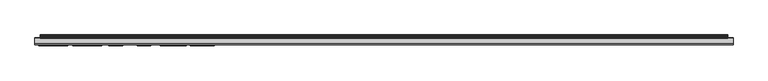
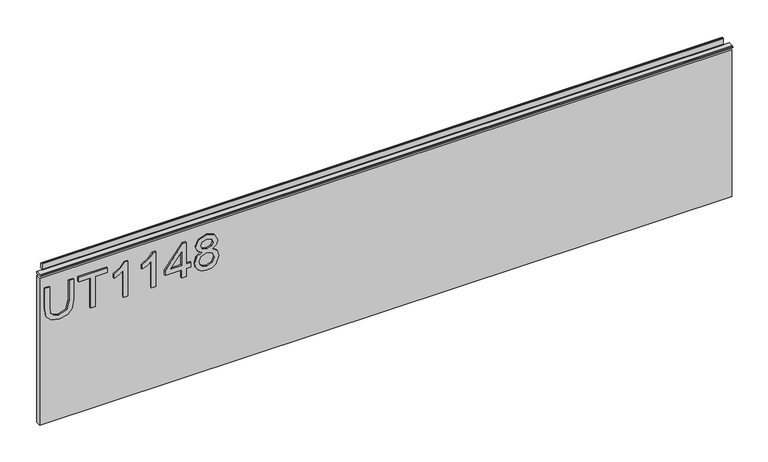
"""IFC4 building model written with IfcOpenShell, lengths in millimetres: furniture geometry."""

from ifc_helpers import new_model, si_unit, frame, origin, place, context, project, spatial, polyline, outline, extrude, source, transform, mapped, element, save


def furniture_73bf535e(model_context):
    return source(origin(), model_context, "Body", "SweptSolid", [
        extrude(outline(polyline([(1116.7975569, -249.406548), (1080.2772981, -249.406548), (1064.1741222, -253.4401289), (1059.9848047, -266.9425017), (1062.1028239, -276.3178517), (1068.1220478, -281.7219156), (1080.2772981, -283.2948564), (1116.7975569, -283.2948564), (1116.7975569, -291.268576), (1079.9969721, -291.268576), (1064.0261723, -288.8468702), (1055.0946719, -280.7641349), (1052.011085, -266.1949655), (1055.5540952, -251.3999779), (1064.7425612, -243.5975687), (1079.9969721, -241.4328284), (1116.7975569, -241.4328284), (1116.7975569, -249.406548)])), frame((0.0, -6.7767932, 0.0), z_axis=(0.0, 1.0, 0.0), x_axis=(0.0, 0.0, 1.0)), (0.0, 0.0, 1.0), 2.38125),
        extrude(outline(polyline([(1053.0078, -211.5313799), (1053.0078, -203.5576602), (1108.8238373, -203.5576602), (1108.8238373, -182.6266462), (1116.7975569, -182.6266462), (1116.7975569, -232.4623938), (1108.8238373, -232.4623938), (1108.8238373, -211.5313799), (1053.0078, -211.5313799)])), frame((0.0, -6.7767932, 0.0), z_axis=(0.0, 1.0, 0.0), x_axis=(0.0, 0.0, 1.0)), (0.0, 0.0, 1.0), 2.38125),
        extrude(outline(polyline([(1053.0078, -146.744908), (1116.7975569, -146.744908), (1116.7975569, -151.8842194), (1108.3099062, -158.9780266), (1100.8501177, -170.6660668), (1093.3124609, -170.6660668), (1097.3382549, -162.2718581), (1102.7189582, -154.7186276), (1053.0078, -154.7186276), (1053.0078, -146.744908)])), frame((0.0, -6.7767932, 0.0), z_axis=(0.0, 1.0, 0.0), x_axis=(0.0, 0.0, 1.0)), (0.0, 0.0, 1.0), 2.38125),
        extrude(outline(polyline([(1053.0078, -97.9058753), (1116.7975569, -97.9058753), (1116.7975569, -103.0451868), (1108.3099062, -110.138994), (1100.8501177, -121.8270341), (1093.3124609, -121.8270341), (1097.3382549, -113.4328254), (1102.7189582, -105.8795949), (1053.0078, -105.8795949), (1053.0078, -97.9058753)])), frame((0.0, -6.7767932, 0.0), z_axis=(0.0, 1.0, 0.0), x_axis=(0.0, 0.0, 1.0)), (0.0, 0.0, 1.0), 2.38125),
        extrude(outline(polyline([(1053.0078, -53.0537024), (1053.0078, -45.0799828), (1067.9585243, -45.0799828), (1067.9585243, -37.1062632), (1075.9322439, -37.1062632), (1075.9322439, -45.0799828), (1115.800842, -45.0799828), (1115.800842, -51.0602725), (1075.9322439, -81.9584361), (1067.9585243, -81.9584361), (1067.9585243, -53.0537024), (1053.0078, -53.0537024)]), holes=[polyline([(1075.9322439, -53.0537024), (1075.9322439, -72.1470232), (1100.5697916, -53.0537024), (1075.9322439, -53.0537024)])]), frame((0.0, -6.7767932, 0.0), z_axis=(0.0, 1.0, 0.0), x_axis=(0.0, 0.0, 1.0)), (0.0, 0.0, 1.0), 2.38125),
        extrude(outline(polyline([(1088.1420021, -18.5112999), (1082.3485964, -27.1079663), (1071.7896474, -30.1292585), (1064.0320125, -28.688694), (1057.6721145, -24.3670002), (1053.4263424, -17.6936821), (1052.011085, -9.1982445), (1053.4205023, -0.7028069), (1057.648754, 5.9705111), (1071.571616, 11.7327695), (1081.8891731, 8.8282798), (1088.1420021, 0.3484159), (1093.071069, 7.4110757), (1100.5853653, 9.7393396), (1112.0787346, 4.5065861), (1116.7975569, -9.3072602), (1112.1877503, -22.9965172), (1100.8033967, -28.1358286), (1093.0944295, -25.7764175), (1088.1420021, -18.5112999)]), holes=[polyline([(1072.0699735, -22.1555389), (1080.5264769, -18.7838391), (1083.9059635, -9.4007023), (1080.4797559, 0.2549738), (1071.8207947, 3.7590498), (1063.3253571, 0.3639895), (1059.9848047, -9.1359499), (1061.5733191, -16.1129545), (1066.0663232, -20.82399), (1072.0699735, -22.1555389)]), polyline([(1100.5697916, -20.162109), (1106.3943446, -17.2887667), (1108.8238373, -9.1982445), (1106.3398368, -1.1310829), (1100.2115972, 1.7656199), (1094.2936022, -1.0376409), (1091.8796831, -9.1048025), (1094.3091758, -17.3354877), (1100.5697916, -20.162109)])]), frame((0.0, -6.7767932, 0.0), z_axis=(0.0, 1.0, 0.0), x_axis=(0.0, 0.0, 1.0)), (0.0, 0.0, 1.0), 2.38125),
        extrude(outline(polyline([(5.5562561, 1143.0), (6.3500061, 1143.0), (6.3500061, 1152.87425), (7.1437561, 1153.668), (8.6677569, 1153.668), (10.0084363, 1153.2506926), (10.875413, 1152.1461816), (10.9623604, 1150.7447591), (10.2390011, 1147.7863459), (10.4046103, 1146.5833307), (11.6746103, 1144.3836103), (10.7786383, 1143.8663244), (7.1437561, 1143.8663244), (7.1437561, 1143.0), (6.3500061, 1142.7669239), (6.3500061, 1135.5578), (5.5562561, 1135.5578), (5.5562561, 1143.0)])), frame((-288.671, 0.0, 0.0), z_axis=(1.0, 0.0, 0.0), x_axis=(0.0, 1.0, 0.0)), (0.0, 0.0, 1.0), 1186.942),
        extrude(outline(polyline([(5.5562561, 1143.0), (5.5562561, 1139.8249996), (-3.975094, 1139.8249996), (-5.3492339, 1140.6183657), (-5.3492339, 1142.2066395), (-3.9751037, 1143.0), (5.5562561, 1143.0)])), frame((-298.196, 0.0, 0.0), z_axis=(1.0, 0.0, 0.0), x_axis=(0.0, 1.0, 0.0)), (0.0, 0.0, 1.0), 1205.992),
        extrude(outline(polyline([(907.796, 6.3500061), (907.796, -3.1749939), (-298.196, -3.1749939), (-298.196, 6.3500061), (907.796, 6.3500061)])), frame((0.0, 0.0, 864.4381927), z_axis=(0.0, 0.0, 1.0), x_axis=(1.0, 0.0, 0.0)), (0.0, 0.0, 1.0), 271.1196073),
    ])


if __name__ == "__main__":
    model = new_model("IFC4")
    model_context = context("Model", 3, world=origin())
    ifc_project = project(units=[si_unit("LENGTHUNIT", "METRE", prefix="MILLI")], contexts=[model_context])
    site = spatial("IfcSite", under=ifc_project)
    building = spatial("IfcBuilding", under=site)
    placement = place(None, origin())
    furniture_shape = furniture_73bf535e(model_context)
    element("IfcFurniture", 1, at=placement, inside=building, context=model_context, shape_type="MappedRepresentation", body=[
        mapped(furniture_shape, transform((0.0, 0.0, 0.0), x_axis=(1.0, 0.0, 0.0), y_axis=(0.0, 1.0, 0.0), z_axis=(0.0, 0.0, 1.0))),
    ])
    save(model, "model.ifc")
